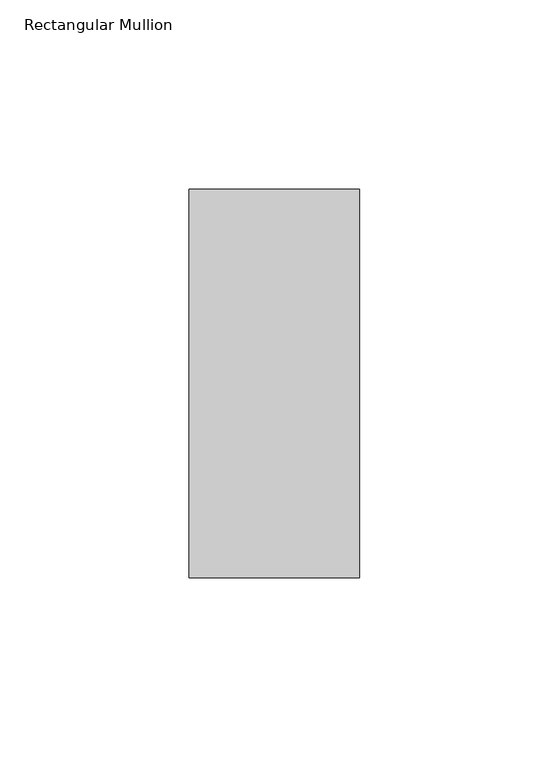
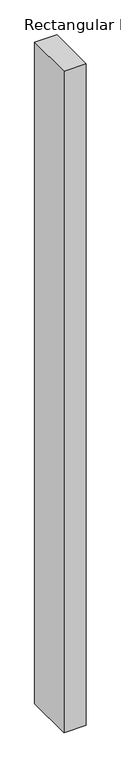
"""IFC4 building model written with IfcOpenShell, lengths in millimetres: member geometry, Rectangular Mullion."""

import ifcopenshell
import ifcopenshell.guid

model = None  # the IFC model being written
_history = None  # IfcOwnerHistory: only IFC2X3 demands one
_inside = {}  # id of a spatial element -> (the spatial element, [elements in it])
_under = {}  # id of a project, library or spatial element -> (it, [spatial elements below it])
_declared = {}  # id of a project -> (the project, [libraries it declares])
_typed = {}  # id of a type object -> (the type object, [elements of that type])
_made_of = {}  # id of a material, layer set ... -> (it, [elements and type objects made of it])


def new_model(schema):
    """Start an empty IFC model of exactly this schema.

    Asked for "IFC4X3", IfcOpenShell would pick the latest addendum, in which some entities
    have other attributes; the version numbers below select the first issue.
    IFC2X3 requires an IfcOwnerHistory on every rooted entity: one is made here for all.
    """
    global model, _history
    if schema == "IFC4X3":
        model = ifcopenshell.file(schema_version=(4, 3, 0, 0))
    else:
        model = ifcopenshell.file(schema=schema)
    _inside.clear()
    _under.clear()
    _declared.clear()
    _typed.clear()
    _made_of.clear()
    _history = None
    if model.schema == "IFC2X3":
        org = make("IfcOrganization", Name="unknown")
        user = make(
            "IfcPersonAndOrganization",
            ThePerson=make("IfcPerson", FamilyName="unknown"),
            TheOrganization=org,
        )
        app = make(
            "IfcApplication",
            ApplicationDeveloper=org,
            Version="unknown",
            ApplicationFullName="unknown",
            ApplicationIdentifier="unknown",
        )
        _history = make(
            "IfcOwnerHistory",
            OwningUser=user,
            OwningApplication=app,
            ChangeAction="ADDED",
            CreationDate=0,
        )
    return model


def make(cls, **values):
    """One entity of the class cls with the attributes given. An attribute that is None is left unset."""
    return model.create_entity(
        cls, **{name: value for name, value in values.items() if value is not None}
    )


def rooted(cls, **values):
    """An entity with a GlobalId (a new one), such as an element, a storey or a relation."""
    return make(cls, GlobalId=ifcopenshell.guid.new(), OwnerHistory=_history, **values)


def si_unit(unit_type, name, prefix=None):
    """IfcSIUnit, for example si_unit("LENGTHUNIT", "METRE", prefix="MILLI")."""
    return make("IfcSIUnit", UnitType=unit_type, Prefix=prefix, Name=name)


def assignment(units):
    """IfcUnitAssignment: the units of a project."""
    return None if units is None else make("IfcUnitAssignment", Units=units)


def point(xyz):
    """IfcCartesianPoint."""
    return None if xyz is None else make("IfcCartesianPoint", Coordinates=xyz)


def direction(xyz):
    """IfcDirection."""
    return None if xyz is None else make("IfcDirection", DirectionRatios=xyz)


def frame(location, z_axis=None, x_axis=None):
    """IfcAxis2Placement3D, a coordinate frame: its origin and axes. An axis left out is left unset."""
    return make(
        "IfcAxis2Placement3D",
        Location=point(location),
        Axis=direction(z_axis),
        RefDirection=direction(x_axis),
    )


def origin():
    """The frame at (0, 0, 0) with its axes left unset."""
    return frame((0.0, 0.0, 0.0))


def place(relative_to, where):
    """IfcLocalPlacement: puts the frame where relative to a parent placement (None: the world)."""
    return make(
        "IfcLocalPlacement", PlacementRelTo=relative_to, RelativePlacement=where
    )


def context(
    kind, dimensions, precision=None, world=None, true_north=None, identifier=None
):
    """IfcGeometricRepresentationContext, for example the 3D "Model" context."""
    return make(
        "IfcGeometricRepresentationContext",
        ContextIdentifier=identifier,
        ContextType=kind,
        CoordinateSpaceDimension=dimensions,
        Precision=precision,
        WorldCoordinateSystem=world,
        TrueNorth=true_north,
    )


def project(units=None, contexts=None):
    """IfcProject with its units and contexts."""
    return rooted(
        "IfcProject",
        Name="project",
        RepresentationContexts=contexts,
        UnitsInContext=assignment(units),
    )


def spatial(cls, under=None, at=None, **own):
    """A site, building, storey or space (cls), placed at a placement, below another one or the project."""
    s = rooted(cls, ObjectPlacement=at, **own)
    if under is not None:
        _under.setdefault(under.id(), (under, []))[1].append(s)
    return s


def polyline(points):
    """IfcPolyline through the points."""
    return make("IfcPolyline", Points=[point(p) for p in points])


def outline(outer, holes=None, kind="AREA"):
    """IfcArbitraryClosedProfileDef: a profile drawn as a closed curve; with holes, ...WithVoids."""
    if holes is None:
        return make("IfcArbitraryClosedProfileDef", ProfileType=kind, OuterCurve=outer)
    return make(
        "IfcArbitraryProfileDefWithVoids",
        ProfileType=kind,
        OuterCurve=outer,
        InnerCurves=holes,
    )


def extrude(swept, where, along, depth):
    """IfcExtrudedAreaSolid: the profile swept, set in the frame where, extruded along a direction by depth."""
    return make(
        "IfcExtrudedAreaSolid",
        SweptArea=swept,
        Position=where,
        ExtrudedDirection=direction(along),
        Depth=depth,
    )


def shape(context_of_items, identifier, shape_type, items):
    """IfcShapeRepresentation: the items that make up one representation, for example the "Body"."""
    return make(
        "IfcShapeRepresentation",
        ContextOfItems=context_of_items,
        RepresentationIdentifier=identifier,
        RepresentationType=shape_type,
        Items=items,
    )


def source(mapping_origin, context_of_items, identifier, shape_type, items):
    """IfcRepresentationMap: a shape defined once, which mapped items show again and again."""
    return make(
        "IfcRepresentationMap",
        MappingOrigin=mapping_origin,
        MappedRepresentation=shape(context_of_items, identifier, shape_type, items),
    )


def transform(
    local_origin,
    x_axis=None,
    y_axis=None,
    z_axis=None,
    scale=None,
    scale2=None,
    scale3=None,
    uniform=True,
):
    """IfcCartesianTransformationOperator3D, or its non-uniform kind. x_axis, y_axis, z_axis: its Axis1, 2, 3."""
    if uniform:
        return make(
            "IfcCartesianTransformationOperator3D",
            Axis1=direction(x_axis),
            Axis2=direction(y_axis),
            LocalOrigin=point(local_origin),
            Scale=scale,
            Axis3=direction(z_axis),
        )
    return make(
        "IfcCartesianTransformationOperator3DnonUniform",
        Axis1=direction(x_axis),
        Axis2=direction(y_axis),
        LocalOrigin=point(local_origin),
        Scale=scale,
        Axis3=direction(z_axis),
        Scale2=scale2,
        Scale3=scale3,
    )


def mapped(mapping_source, mapping_target):
    """IfcMappedItem: shows the shape of a source again, moved by a transform."""
    return make(
        "IfcMappedItem", MappingSource=mapping_source, MappingTarget=mapping_target
    )


def made_of(thing, what):
    """Note that an element or type object is made of a material, layer set ...; save() writes the relation."""
    if what is not None:
        _made_of.setdefault(what.id(), (what, []))[1].append(thing)
    return thing


def element(
    cls,
    number,
    at=None,
    inside=None,
    cuts=None,
    type_object=None,
    material=None,
    context=None,
    identifier="Body",
    shape_type=None,
    held_by="IfcProductDefinitionShape",
    body=None,
    shapes=None,
    **own,
):
    """One element of the class cls, such as IfcWall. Its Tag is "e" and its number.

    at: its placement. inside: the storey or other place that contains it. cuts: it is an
    opening in that element (IfcRelVoidsElement). A single representation is given by context,
    identifier, shape_type and body (its items); several are given by shapes. held_by: the class
    of the entity that holds the representations. save() writes the other relations.
    """
    e = rooted(cls, Tag="e%d" % number, ObjectPlacement=at, **own)
    if body is not None:
        shapes = [shape(context, identifier, shape_type, body)]
    if shapes is not None:
        e.Representation = make(held_by, Representations=shapes)
    if inside is not None:
        _inside.setdefault(inside.id(), (inside, []))[1].append(e)
    if cuts is not None:
        rooted(
            "IfcRelVoidsElement", RelatingBuildingElement=cuts, RelatedOpeningElement=e
        )
    if type_object is not None:
        _typed.setdefault(type_object.id(), (type_object, []))[1].append(e)
    return made_of(e, material)


def aggregate(whole, parts):
    """IfcRelAggregates: a whole, such as a stair, and the parts it consists of."""
    return rooted("IfcRelAggregates", RelatingObject=whole, RelatedObjects=parts)


def save(model, path):
    """Write the relations noted so far, then the file.

    IfcRelAggregates (storeys below a building ...), IfcRelContainedInSpatialStructure (elements
    in a storey), IfcRelDefinesByType, IfcRelAssociatesMaterial and IfcRelDeclares: one each for
    every whole, place, type object, material and project.
    """
    for whole, parts in _under.values():
        aggregate(whole, parts)
    for where, things in _inside.values():
        rooted(
            "IfcRelContainedInSpatialStructure",
            RelatedElements=things,
            RelatingStructure=where,
        )
    for kind, things in _typed.values():
        rooted("IfcRelDefinesByType", RelatedObjects=things, RelatingType=kind)
    for what, things in _made_of.values():
        rooted("IfcRelAssociatesMaterial", RelatedObjects=things, RelatingMaterial=what)
    for by, libraries in _declared.values():
        rooted("IfcRelDeclares", RelatingContext=by, RelatedDefinitions=libraries)
    model.write(path)


def rectangular_mullion_babe46fd(model_context):
    return source(origin(), model_context, "Body", "SweptSolid", [
        extrude(outline(polyline([(-45.0, 66.73125), (0.0, 66.73125), (0.0, -35.73125), (-45.0, -35.73125), (-45.0, 66.73125)])), frame((0.0, 0.0, -1420.1808809), z_axis=(0.0, 0.0, 1.0), x_axis=(1.0, 0.0, 0.0)), (0.0, 0.0, 1.0), 1420.1808809),
    ])


if __name__ == "__main__":
    model = new_model("IFC4")
    model_context = context("Model", 3, world=origin())
    ifc_project = project(units=[si_unit("LENGTHUNIT", "METRE", prefix="MILLI")], contexts=[model_context])
    site = spatial("IfcSite", under=ifc_project)
    building = spatial("IfcBuilding", under=site)
    placement = place(None, origin())
    rectangular_mullion_shape = rectangular_mullion_babe46fd(model_context)
    element("IfcMember", 1, ObjectType="Rectangular Mullion", at=placement, inside=building, context=model_context, shape_type="MappedRepresentation", body=[
        mapped(rectangular_mullion_shape, transform((0.0, 0.0, 0.0), x_axis=(1.0, 0.0, 0.0), y_axis=(0.0, 1.0, 0.0), z_axis=(0.0, 0.0, 1.0))),
    ])
    save(model, "model.ifc")
